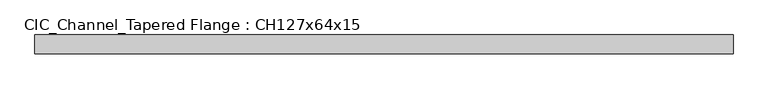
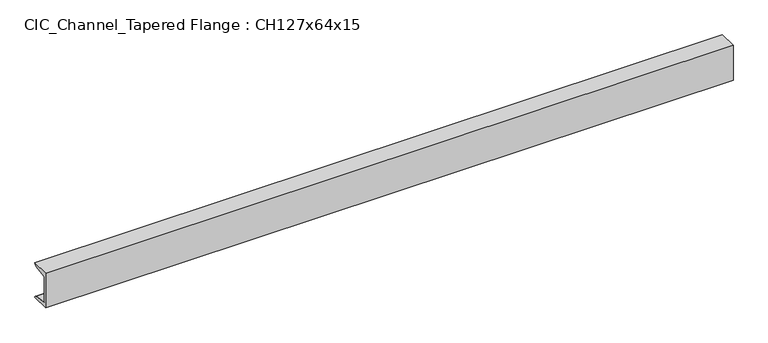
"""IFC4 building model written with IfcOpenShell, lengths in millimetres: beam geometry, CIC_Channel_Tapered Flange : CH127x64x15."""

import ifcopenshell
import ifcopenshell.guid

model = None  # the IFC model being written
_history = None  # IfcOwnerHistory: only IFC2X3 demands one
_inside = {}  # id of a spatial element -> (the spatial element, [elements in it])
_under = {}  # id of a project, library or spatial element -> (it, [spatial elements below it])
_declared = {}  # id of a project -> (the project, [libraries it declares])
_typed = {}  # id of a type object -> (the type object, [elements of that type])
_made_of = {}  # id of a material, layer set ... -> (it, [elements and type objects made of it])


def new_model(schema):
    """Start an empty IFC model of exactly this schema.

    Asked for "IFC4X3", IfcOpenShell would pick the latest addendum, in which some entities
    have other attributes; the version numbers below select the first issue.
    IFC2X3 requires an IfcOwnerHistory on every rooted entity: one is made here for all.
    """
    global model, _history
    if schema == "IFC4X3":
        model = ifcopenshell.file(schema_version=(4, 3, 0, 0))
    else:
        model = ifcopenshell.file(schema=schema)
    _inside.clear()
    _under.clear()
    _declared.clear()
    _typed.clear()
    _made_of.clear()
    _history = None
    if model.schema == "IFC2X3":
        org = make("IfcOrganization", Name="unknown")
        user = make(
            "IfcPersonAndOrganization",
            ThePerson=make("IfcPerson", FamilyName="unknown"),
            TheOrganization=org,
        )
        app = make(
            "IfcApplication",
            ApplicationDeveloper=org,
            Version="unknown",
            ApplicationFullName="unknown",
            ApplicationIdentifier="unknown",
        )
        _history = make(
            "IfcOwnerHistory",
            OwningUser=user,
            OwningApplication=app,
            ChangeAction="ADDED",
            CreationDate=0,
        )
    return model


def make(cls, **values):
    """One entity of the class cls with the attributes given. An attribute that is None is left unset."""
    return model.create_entity(
        cls, **{name: value for name, value in values.items() if value is not None}
    )


def rooted(cls, **values):
    """An entity with a GlobalId (a new one), such as an element, a storey or a relation."""
    return make(cls, GlobalId=ifcopenshell.guid.new(), OwnerHistory=_history, **values)


def si_unit(unit_type, name, prefix=None):
    """IfcSIUnit, for example si_unit("LENGTHUNIT", "METRE", prefix="MILLI")."""
    return make("IfcSIUnit", UnitType=unit_type, Prefix=prefix, Name=name)


def assignment(units):
    """IfcUnitAssignment: the units of a project."""
    return None if units is None else make("IfcUnitAssignment", Units=units)


def point(xyz):
    """IfcCartesianPoint."""
    return None if xyz is None else make("IfcCartesianPoint", Coordinates=xyz)


def direction(xyz):
    """IfcDirection."""
    return None if xyz is None else make("IfcDirection", DirectionRatios=xyz)


def frame(location, z_axis=None, x_axis=None):
    """IfcAxis2Placement3D, a coordinate frame: its origin and axes. An axis left out is left unset."""
    return make(
        "IfcAxis2Placement3D",
        Location=point(location),
        Axis=direction(z_axis),
        RefDirection=direction(x_axis),
    )


def frame_2d(location, x_axis=None):
    """IfcAxis2Placement2D, a coordinate frame in the plane: its origin and x axis."""
    return make(
        "IfcAxis2Placement2D", Location=point(location), RefDirection=direction(x_axis)
    )


def origin():
    """The frame at (0, 0, 0) with its axes left unset."""
    return frame((0.0, 0.0, 0.0))


def place(relative_to, where):
    """IfcLocalPlacement: puts the frame where relative to a parent placement (None: the world)."""
    return make(
        "IfcLocalPlacement", PlacementRelTo=relative_to, RelativePlacement=where
    )


def context(
    kind, dimensions, precision=None, world=None, true_north=None, identifier=None
):
    """IfcGeometricRepresentationContext, for example the 3D "Model" context."""
    return make(
        "IfcGeometricRepresentationContext",
        ContextIdentifier=identifier,
        ContextType=kind,
        CoordinateSpaceDimension=dimensions,
        Precision=precision,
        WorldCoordinateSystem=world,
        TrueNorth=true_north,
    )


def project(units=None, contexts=None):
    """IfcProject with its units and contexts."""
    return rooted(
        "IfcProject",
        Name="project",
        RepresentationContexts=contexts,
        UnitsInContext=assignment(units),
    )


def spatial(cls, under=None, at=None, **own):
    """A site, building, storey or space (cls), placed at a placement, below another one or the project."""
    s = rooted(cls, ObjectPlacement=at, **own)
    if under is not None:
        _under.setdefault(under.id(), (under, []))[1].append(s)
    return s


def polyline(points):
    """IfcPolyline through the points."""
    return make("IfcPolyline", Points=[point(p) for p in points])


def circle_curve(where, radius):
    """IfcCircle in the frame where."""
    return make("IfcCircle", Position=where, Radius=radius)


def trimmed(basis, trim1, trim2, sense, master):
    """IfcTrimmedCurve: the piece of a basis curve between two trims."""
    return make(
        "IfcTrimmedCurve",
        BasisCurve=basis,
        Trim1=trim1,
        Trim2=trim2,
        SenseAgreement=sense,
        MasterRepresentation=master,
    )


def segment(curve, same_sense, transition):
    """IfcCompositeCurveSegment."""
    return make(
        "IfcCompositeCurveSegment",
        Transition=transition,
        SameSense=same_sense,
        ParentCurve=curve,
    )


def composite_curve(segments, self_intersect=None):
    """IfcCompositeCurve: segments joined end to end."""
    return make("IfcCompositeCurve", Segments=segments, SelfIntersect=self_intersect)


def outline(outer, holes=None, kind="AREA"):
    """IfcArbitraryClosedProfileDef: a profile drawn as a closed curve; with holes, ...WithVoids."""
    if holes is None:
        return make("IfcArbitraryClosedProfileDef", ProfileType=kind, OuterCurve=outer)
    return make(
        "IfcArbitraryProfileDefWithVoids",
        ProfileType=kind,
        OuterCurve=outer,
        InnerCurves=holes,
    )


def extrude(swept, where, along, depth):
    """IfcExtrudedAreaSolid: the profile swept, set in the frame where, extruded along a direction by depth."""
    return make(
        "IfcExtrudedAreaSolid",
        SweptArea=swept,
        Position=where,
        ExtrudedDirection=direction(along),
        Depth=depth,
    )


def shape(context_of_items, identifier, shape_type, items):
    """IfcShapeRepresentation: the items that make up one representation, for example the "Body"."""
    return make(
        "IfcShapeRepresentation",
        ContextOfItems=context_of_items,
        RepresentationIdentifier=identifier,
        RepresentationType=shape_type,
        Items=items,
    )


def source(mapping_origin, context_of_items, identifier, shape_type, items):
    """IfcRepresentationMap: a shape defined once, which mapped items show again and again."""
    return make(
        "IfcRepresentationMap",
        MappingOrigin=mapping_origin,
        MappedRepresentation=shape(context_of_items, identifier, shape_type, items),
    )


def transform(
    local_origin,
    x_axis=None,
    y_axis=None,
    z_axis=None,
    scale=None,
    scale2=None,
    scale3=None,
    uniform=True,
):
    """IfcCartesianTransformationOperator3D, or its non-uniform kind. x_axis, y_axis, z_axis: its Axis1, 2, 3."""
    if uniform:
        return make(
            "IfcCartesianTransformationOperator3D",
            Axis1=direction(x_axis),
            Axis2=direction(y_axis),
            LocalOrigin=point(local_origin),
            Scale=scale,
            Axis3=direction(z_axis),
        )
    return make(
        "IfcCartesianTransformationOperator3DnonUniform",
        Axis1=direction(x_axis),
        Axis2=direction(y_axis),
        LocalOrigin=point(local_origin),
        Scale=scale,
        Axis3=direction(z_axis),
        Scale2=scale2,
        Scale3=scale3,
    )


def mapped(mapping_source, mapping_target):
    """IfcMappedItem: shows the shape of a source again, moved by a transform."""
    return make(
        "IfcMappedItem", MappingSource=mapping_source, MappingTarget=mapping_target
    )


def made_of(thing, what):
    """Note that an element or type object is made of a material, layer set ...; save() writes the relation."""
    if what is not None:
        _made_of.setdefault(what.id(), (what, []))[1].append(thing)
    return thing


def element(
    cls,
    number,
    at=None,
    inside=None,
    cuts=None,
    type_object=None,
    material=None,
    context=None,
    identifier="Body",
    shape_type=None,
    held_by="IfcProductDefinitionShape",
    body=None,
    shapes=None,
    **own,
):
    """One element of the class cls, such as IfcWall. Its Tag is "e" and its number.

    at: its placement. inside: the storey or other place that contains it. cuts: it is an
    opening in that element (IfcRelVoidsElement). A single representation is given by context,
    identifier, shape_type and body (its items); several are given by shapes. held_by: the class
    of the entity that holds the representations. save() writes the other relations.
    """
    e = rooted(cls, Tag="e%d" % number, ObjectPlacement=at, **own)
    if body is not None:
        shapes = [shape(context, identifier, shape_type, body)]
    if shapes is not None:
        e.Representation = make(held_by, Representations=shapes)
    if inside is not None:
        _inside.setdefault(inside.id(), (inside, []))[1].append(e)
    if cuts is not None:
        rooted(
            "IfcRelVoidsElement", RelatingBuildingElement=cuts, RelatedOpeningElement=e
        )
    if type_object is not None:
        _typed.setdefault(type_object.id(), (type_object, []))[1].append(e)
    return made_of(e, material)


def aggregate(whole, parts):
    """IfcRelAggregates: a whole, such as a stair, and the parts it consists of."""
    return rooted("IfcRelAggregates", RelatingObject=whole, RelatedObjects=parts)


def save(model, path):
    """Write the relations noted so far, then the file.

    IfcRelAggregates (storeys below a building ...), IfcRelContainedInSpatialStructure (elements
    in a storey), IfcRelDefinesByType, IfcRelAssociatesMaterial and IfcRelDeclares: one each for
    every whole, place, type object, material and project.
    """
    for whole, parts in _under.values():
        aggregate(whole, parts)
    for where, things in _inside.values():
        rooted(
            "IfcRelContainedInSpatialStructure",
            RelatedElements=things,
            RelatingStructure=where,
        )
    for kind, things in _typed.values():
        rooted("IfcRelDefinesByType", RelatedObjects=things, RelatingType=kind)
    for what, things in _made_of.values():
        rooted("IfcRelAssociatesMaterial", RelatedObjects=things, RelatingMaterial=what)
    for by, libraries in _declared.values():
        rooted("IfcRelDeclares", RelatingContext=by, RelatedDefinitions=libraries)
    model.write(path)


def cic_channel_tapered_flange_ch127x64x15_4b211d71(model_context):
    return source(origin(), model_context, "Body", "SweptSolid", [
        extrude(outline(composite_curve([segment(polyline([(-19.4, 63.5), (44.1, 63.5)]), True, "CONTINUOUS"), segment(trimmed(circle_curve(frame_2d((34.9, 63.5)), 9.2), [point((44.1, 63.5))], [point((34.9, 54.3))], False, "CARTESIAN"), True, "CONTINUOUS"), segment(polyline([(34.9, 54.3), (-13.0, 46.7133853), (-13.0, -46.7133853), (34.9, -54.3)]), True, "CONTINUOUS"), segment(trimmed(circle_curve(frame_2d((34.9, -63.5)), 9.2), [point((34.9, -54.3))], [point((44.1, -63.5))], False, "CARTESIAN"), True, "CONTINUOUS"), segment(polyline([(44.1, -63.5), (-19.4, -63.5), (-19.4, 63.5)]), True, "CONTINUOUS")], self_intersect=False)), frame((-1185.85, 0.0, 0.0), z_axis=(1.0, 0.0, 0.0), x_axis=(0.0, 1.0, 0.0)), (0.0, 0.0, 1.0), 2371.7),
    ])


if __name__ == "__main__":
    model = new_model("IFC4")
    model_context = context("Model", 3, world=origin())
    ifc_project = project(units=[si_unit("LENGTHUNIT", "METRE", prefix="MILLI")], contexts=[model_context])
    site = spatial("IfcSite", under=ifc_project)
    building = spatial("IfcBuilding", under=site)
    placement = place(None, origin())
    cic_channel_tapered_flange_ch127x64x15_shape = cic_channel_tapered_flange_ch127x64x15_4b211d71(model_context)
    element("IfcBeam", 1, ObjectType="CIC_Channel_Tapered Flange : CH127x64x15", at=placement, inside=building, context=model_context, shape_type="MappedRepresentation", body=[
        mapped(cic_channel_tapered_flange_ch127x64x15_shape, transform((0.0, 0.0, 0.0), x_axis=(1.0, 0.0, 0.0), y_axis=(0.0, 1.0, 0.0), z_axis=(0.0, 0.0, 1.0))),
    ])
    save(model, "model.ifc")
